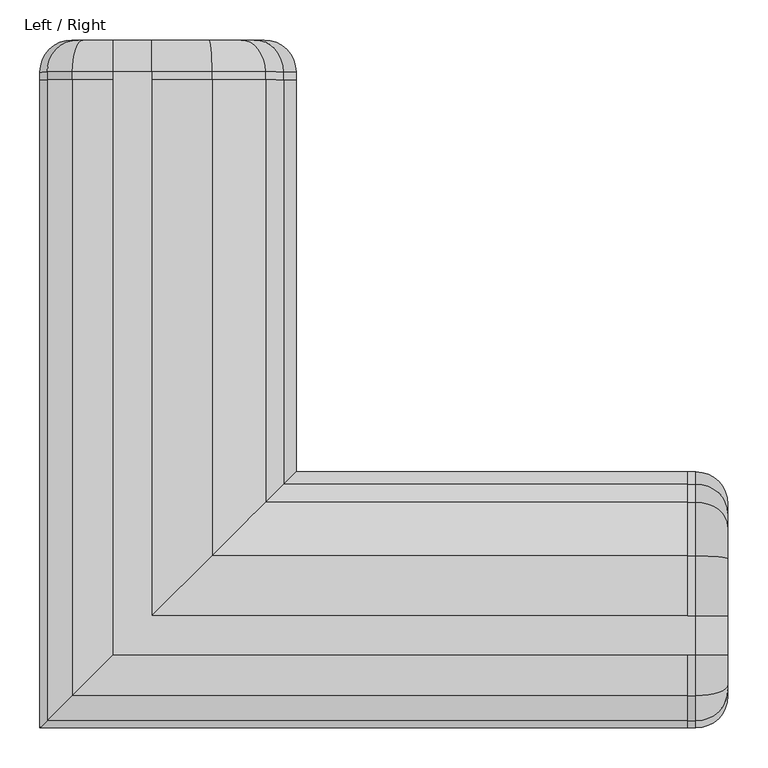
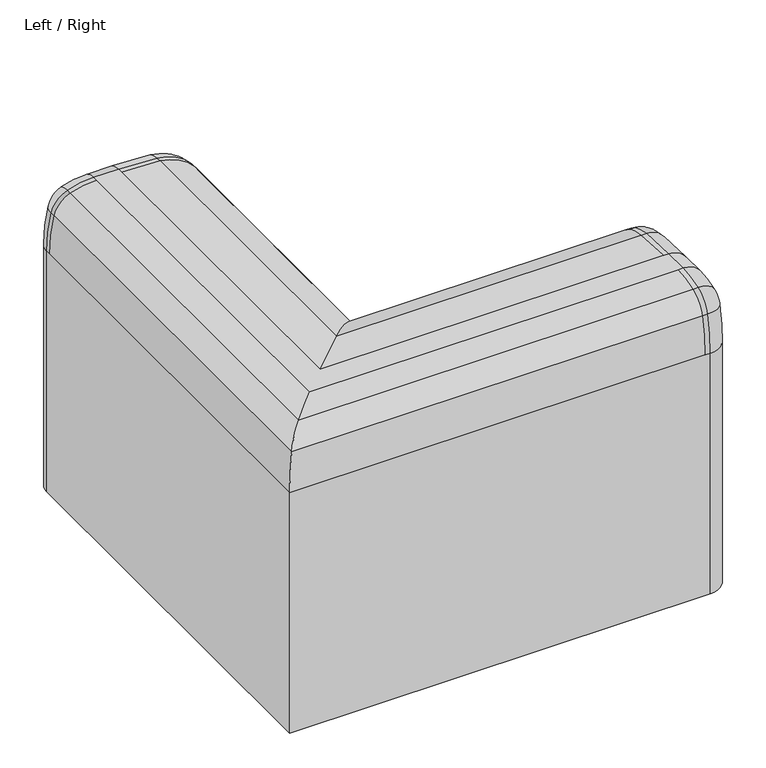
"""IFC4 building model written with IfcOpenShell, lengths in millimetres: furniture geometry, Left / Right."""

from ifc_helpers import new_model, si_unit, point, frame, origin, place, context, project, spatial, polyline, circle_curve, ellipse_curve, trimmed, source, transform, mapped, element, save
from ifc_brep_helpers import plane_surface, cylinder_surface, revolved_surface, advanced_brep


def left_right_8cfbb37d(model_context):
    return source(origin(), model_context, "Body", "AdvancedBrep", [
        advanced_brep(
        [(860.0, 200.0, 25.0), (860.0, 40.0, 25.0), (820.0, 0.0, 25.0), (0.0, 0.0, 25.0), (0.0, 820.0, 25.0), (40.0, 860.0, 25.0), (200.0, 860.0, 25.0), (240.0, 820.0, 25.0), (240.0, 240.0, 25.0), (820.0, 240.0, 25.0), (860.0, 200.0, 322.2258016), (860.0, 244.8690097, 400.0923137), (860.0, 247.5141046, 402.315325), (860.0, 268.1557528, 549.3060382), (860.0, 251.5115397, 575.7516627), (860.0, 211.4230155, 596.6382998), (860.0, 140.0193513, 600.0), (860.0, 91.7778918, 600.0), (860.0, 54.0888011, 593.3418233), (860.0, 47.7883578, 586.2689292), (860.0, 40.0, 520.0971421), (820.0, 240.0, 322.2258016), (240.0, 240.0, 322.2258016), (810.0, 240.0, 322.2258016), (820.0, 264.9272276, 365.484975), (810.0, 264.9272276, 365.484975), (820.0, 278.1527024, 376.6000313), (810.0, 278.1527024, 376.6000313), (820.0, 304.6919644, 565.5880912), (810.0, 304.6919644, 565.5880912), (820.0, 281.99531, 601.6503064), (810.0, 281.99531, 601.6503064), (820.0, 215.1811031, 636.4613682), (810.0, 215.1811031, 636.4613682), (820.0, 140.0193513, 640.0), (810.0, 140.0193513, 640.0), (820.0, 91.7778918, 640.0), (140.0193513, 140.0193513, 640.0), (140.0193513, 810.0, 640.0), (140.0193513, 820.0, 640.0), (91.7778918, 820.0, 640.0), (91.7778918, 810.0, 640.0), (91.7778918, 91.7778918, 640.0), (810.0, 91.7778918, 640.0), (820.0, 40.3836772, 630.9206681), (810.0, 40.3836772, 630.9206681), (820.0, 8.8814606, 595.5561976), (810.0, 8.8814606, 595.5561976), (820.0, 0.0, 520.0971421), (810.0, 0.0, 520.0971421), (0.0, 0.0, 520.0971421), (8.8814606, 8.8814606, 595.5561976), (40.3836772, 40.3836772, 630.9206681), (215.1811031, 215.1811031, 636.4613682), (281.99531, 281.99531, 601.6503064), (304.6919644, 304.6919644, 565.5880912), (278.1527024, 278.1527024, 376.6000313), (264.9272276, 264.9272276, 365.484975), (0.0, 810.0, 520.0971421), (0.0, 820.0, 520.0971421), (8.8814606, 810.0, 595.5561976), (40.3836772, 810.0, 630.9206681), (215.1811031, 810.0, 636.4613682), (281.99531, 810.0, 601.6503064), (304.6919644, 810.0, 565.5880912), (278.1527024, 810.0, 376.6000313), (264.9272276, 810.0, 365.484975), (240.0, 810.0, 322.2258016), (240.0, 820.0, 322.2258016), (200.0, 860.0, 322.2258016), (40.0, 860.0, 520.0971421), (47.7883578, 860.0, 586.2689292), (54.0888011, 860.0, 593.3418233), (91.7778918, 860.0, 600.0), (140.0193513, 860.0, 600.0), (211.4230155, 860.0, 596.6382998), (251.5115397, 860.0, 575.7516627), (268.1557528, 860.0, 549.3060382), (247.5141046, 860.0, 402.315325), (244.8690097, 860.0, 400.0923137), (264.9272276, 820.0, 365.484975), (278.1527024, 820.0, 376.6000313), (304.6919644, 820.0, 565.5880912), (281.99531, 820.0, 601.6503064), (215.1811031, 820.0, 636.4613682), (40.3836772, 820.0, 630.9206681), (8.8814606, 820.0, 595.5561976)],
        [
            (0, 1),
            (1, 2, circle_curve(frame((820.0, 40.0, 25.0), z_axis=(0.0, 0.0, -1.0), x_axis=(1.0, 0.0, 0.0)), 40.0)),
            (2, 3),
            (3, 4),
            (4, 5, circle_curve(frame((40.0, 820.0, 25.0), z_axis=(0.0, 0.0, -1.0), x_axis=(0.0, 1.0, 0.0)), 40.0)),
            (5, 6),
            (6, 7, circle_curve(frame((200.0, 820.0, 25.0), z_axis=(0.0, 0.0, -1.0), x_axis=(0.0, 1.0, 0.0)), 40.0)),
            (7, 8),
            (8, 9),
            (9, 0, circle_curve(frame((820.0, 200.0, 25.0), z_axis=(0.0, 0.0, -1.0), x_axis=(1.0, 0.0, 0.0)), 40.0)),
            (0, 10),
            (10, 11, circle_curve(frame((860.0, 290.0, 322.2258016), z_axis=(-1.0, 0.0, 0.0), x_axis=(0.0, -1.0, 0.0)), 90.0)),
            (11, 12, circle_curve(frame((860.0, 239.8544552, 408.7441484), z_axis=(1.0, 0.0, 0.0), x_axis=(0.0, 0.5014554478643385, -0.86518346829281)), 10.0)),
            (12, 13, circle_curve(frame((860.0, 140.2790126, 492.3188529), z_axis=(1.0, 0.0, 0.0), x_axis=(0.0, 0.7659649434069681, -0.6428823418570152)), 140.0)),
            (13, 14, circle_curve(frame((860.0, 167.6811712, 504.5303926), z_axis=(1.0, 0.0, 0.0), x_axis=(0.0, 0.9134052877051051, 0.4070513240272708)), 110.0)),
            (14, 15, circle_curve(frame((860.0, 205.7858841, 536.9036972), z_axis=(1.0, 0.0, 0.0), x_axis=(0.0, 0.7620942588295695, 0.6474660922851552)), 60.0)),
            (15, 16, circle_curve(frame((860.0, 140.0193513, -160.0), z_axis=(1.0, 0.0, 0.0), x_axis=(0.0, 0.09395218974832444, 0.9955767102747507)), 760.0)),
            (16, 17),
            (17, 18, circle_curve(frame((860.0, 91.7778918, 490.0), z_axis=(1.0, 0.0, 0.0), x_axis=(0.0, 0.0, 1.0)), 110.0)),
            (18, 19, circle_curve(frame((860.0, 57.5150821, 583.9471121), z_axis=(1.0, 0.0, 0.0), x_axis=(0.0, -0.3426280969648097, 0.9394711209879061)), 10.0)),
            (19, 20, circle_curve(frame((860.0, 325.0, 520.0971421), z_axis=(1.0, 0.0, 0.0), x_axis=(0.0, -0.9726724288891785, 0.23218170918232572)), 285.0)),
            (20, 1),
            (9, 21),
            (21, 10, circle_curve(frame((820.0, 200.0, 322.2258016), z_axis=(0.0, 0.0, -1.0), x_axis=(1.0, 0.0, 0.0)), 40.0)),
            (8, 22),
            (22, 23),
            (23, 21),
            (21, 24, circle_curve(frame((820.0, 290.0, 322.2258016), z_axis=(-1.0, 0.0, 0.0), x_axis=(0.0, -1.0, 0.0)), 50.0)),
            (24, 11, circle_curve(frame((820.0, 244.8690097, 400.0923137), z_axis=(0.0, -0.8651834682928039, -0.501455447864349), x_axis=(1.0, 0.0, 0.0)), 40.0)),
            (23, 25, circle_curve(frame((810.0, 290.0, 322.2258016), z_axis=(-1.0, 0.0, 0.0), x_axis=(0.0, -1.0, 0.0)), 50.0)),
            (25, 24),
            (24, 26, circle_curve(frame((820.0, 239.8544552, 408.7441484), z_axis=(1.0, 0.0, 0.0), x_axis=(0.0, 0.5014554478643385, -0.86518346829281)), 50.0)),
            (26, 12, circle_curve(frame((820.0, 247.5141046, 402.315325), z_axis=(0.0, -0.6428823418570154, -0.7659649434069679), x_axis=(1.0, 0.0, 0.0)), 40.0)),
            (25, 27, circle_curve(frame((810.0, 239.8544552, 408.7441484), z_axis=(1.0, 0.0, 0.0), x_axis=(0.0, 0.5014554478643385, -0.86518346829281)), 50.0)),
            (27, 26),
            (26, 28, circle_curve(frame((820.0, 140.2790126, 492.3188529), z_axis=(1.0, 0.0, 0.0), x_axis=(0.0, 0.7659649434069681, -0.6428823418570152)), 180.0)),
            (28, 13, circle_curve(frame((820.0, 268.1557528, 549.3060382), z_axis=(0.0, 0.4070513240272726, -0.9134052877051042), x_axis=(1.0, 0.0, 0.0)), 40.0)),
            (27, 29, circle_curve(frame((810.0, 140.2790126, 492.3188529), z_axis=(1.0, 0.0, 0.0), x_axis=(0.0, 0.7659649434069681, -0.6428823418570152)), 180.0)),
            (29, 28),
            (28, 30, circle_curve(frame((820.0, 167.6811712, 504.5303926), z_axis=(1.0, 0.0, 0.0), x_axis=(0.0, 0.9134052877051051, 0.4070513240272708)), 150.0)),
            (30, 14, circle_curve(frame((820.0, 251.5115397, 575.7516627), z_axis=(0.0, 0.6474660922851554, -0.7620942588295695), x_axis=(1.0, 0.0, 0.0)), 40.0)),
            (29, 31, circle_curve(frame((810.0, 167.6811712, 504.5303926), z_axis=(1.0, 0.0, 0.0), x_axis=(0.0, 0.9134052877051051, 0.4070513240272708)), 150.0)),
            (31, 30),
            (30, 32, circle_curve(frame((820.0, 205.7858841, 536.9036972), z_axis=(1.0, 0.0, 0.0), x_axis=(0.0, 0.7620942588295695, 0.6474660922851552)), 100.0)),
            (32, 15, circle_curve(frame((820.0, 211.4230155, 596.6382998), z_axis=(0.0, 0.9955767102747507, -0.09395218974832364), x_axis=(1.0, 0.0, 0.0)), 40.0)),
            (31, 33, circle_curve(frame((810.0, 205.7858841, 536.9036972), z_axis=(1.0, 0.0, 0.0), x_axis=(0.0, 0.7620942588295695, 0.6474660922851552)), 100.0)),
            (33, 32),
            (32, 34, circle_curve(frame((820.0, 140.0193513, -160.0), z_axis=(1.0, 0.0, 0.0), x_axis=(0.0, 0.09395218974832444, 0.9955767102747507)), 800.0)),
            (34, 16, circle_curve(frame((820.0, 140.0193513, 600.0), z_axis=(0.0, 1.0, 0.0), x_axis=(1.0, 0.0, 0.0)), 40.0)),
            (33, 35, circle_curve(frame((810.0, 140.0193513, -160.0), z_axis=(1.0, 0.0, 0.0), x_axis=(0.0, 0.09395218974832444, 0.9955767102747507)), 800.0)),
            (35, 34),
            (34, 36),
            (36, 17, circle_curve(frame((820.0, 91.7778918, 600.0), z_axis=(0.0, 1.0, 0.0), x_axis=(1.0, 0.0, 0.0)), 40.0)),
            (35, 37),
            (37, 38),
            (38, 39),
            (39, 40),
            (40, 41),
            (41, 42),
            (42, 43),
            (43, 36),
            (36, 44, circle_curve(frame((820.0, 91.7778918, 490.0), z_axis=(1.0, 0.0, 0.0), x_axis=(0.0, 0.0, 1.0)), 150.0)),
            (44, 18, circle_curve(frame((820.0, 54.0888011, 593.3418233), z_axis=(0.0, 0.9394711209879061, 0.3426280969648098), x_axis=(1.0, 0.0, 0.0)), 40.0)),
            (43, 45, circle_curve(frame((810.0, 91.7778918, 490.0), z_axis=(1.0, 0.0, 0.0), x_axis=(0.0, 0.0, 1.0)), 150.0)),
            (45, 44),
            (44, 46, circle_curve(frame((820.0, 57.5150821, 583.9471121), z_axis=(1.0, 0.0, 0.0), x_axis=(0.0, -0.3426280969648097, 0.9394711209879061)), 50.0)),
            (46, 19, circle_curve(frame((820.0, 47.7883578, 586.2689292), z_axis=(0.0, 0.23218170918232328, 0.972672428889179), x_axis=(1.0, 0.0, 0.0)), 40.0)),
            (45, 47, circle_curve(frame((810.0, 57.5150821, 583.9471121), z_axis=(1.0, 0.0, 0.0), x_axis=(0.0, -0.3426280969648097, 0.9394711209879061)), 50.0)),
            (47, 46),
            (46, 48, circle_curve(frame((820.0, 325.0, 520.0971421), z_axis=(1.0, 0.0, 0.0), x_axis=(0.0, -0.9726724288891785, 0.23218170918232572)), 325.0)),
            (48, 20, circle_curve(frame((820.0, 40.0, 520.0971421), z_axis=(0.0, 0.0, 1.0000000000000002), x_axis=(1.0, 0.0, 0.0)), 40.0)),
            (47, 49, circle_curve(frame((810.0, 325.0, 520.0971421), z_axis=(1.0, 0.0, 0.0), x_axis=(0.0, -0.9726724288891785, 0.23218170918232572)), 325.0)),
            (49, 48),
            (48, 2),
            (49, 50),
            (50, 3),
            (47, 51),
            (51, 50, ellipse_curve(frame((325.0, 325.0, 520.0971421), z_axis=(0.7071067811865475, -0.7071067811865475, 0.0), x_axis=(0.7071067811865476, 0.7071067811865474, 0.0)), 459.6194078, 325.0)),
            (45, 52),
            (52, 51, ellipse_curve(frame((57.5150821, 57.5150821, 583.9471121), z_axis=(0.7071067811865475, -0.7071067811865475, 0.0), x_axis=(0.7071067811865476, 0.7071067811865474, 0.0)), 70.7106781, 50.0)),
            (42, 52, ellipse_curve(frame((91.7778918, 91.7778918, 490.0), z_axis=(0.7071067811865475, -0.7071067811865475, 0.0), x_axis=(0.7071067811865476, 0.7071067811865474, 0.0)), 212.1320344, 150.0)),
            (33, 53),
            (53, 37, ellipse_curve(frame((140.0193513, 140.0193513, -160.0), z_axis=(0.7071067811865475, -0.7071067811865475, 0.0), x_axis=(0.7071067811865476, 0.7071067811865474, 0.0)), 1131.3708499, 800.0)),
            (31, 54),
            (54, 53, ellipse_curve(frame((205.7858841, 205.7858841, 536.9036972), z_axis=(0.7071067811865475, -0.7071067811865475, 0.0), x_axis=(0.7071067811865476, 0.7071067811865474, 0.0)), 141.4213562, 100.0)),
            (29, 55),
            (55, 54, ellipse_curve(frame((167.6811712, 167.6811712, 504.5303926), z_axis=(0.7071067811865475, -0.7071067811865475, 0.0), x_axis=(0.7071067811865476, 0.7071067811865474, 0.0)), 212.1320344, 150.0)),
            (27, 56),
            (56, 55, ellipse_curve(frame((140.2790126, 140.2790126, 492.3188529), z_axis=(0.7071067811865475, -0.7071067811865475, 0.0), x_axis=(0.7071067811865476, 0.7071067811865474, 0.0)), 254.5584412, 180.0)),
            (25, 57),
            (57, 56, ellipse_curve(frame((239.8544552, 239.8544552, 408.7441484), z_axis=(0.7071067811865475, -0.7071067811865475, 0.0), x_axis=(0.7071067811865476, 0.7071067811865474, 0.0)), 70.7106781, 50.0)),
            (22, 57, ellipse_curve(frame((290.0, 290.0, 322.2258016), z_axis=(-0.7071067811865475, 0.7071067811865475, 0.0), x_axis=(-0.7071067811865476, -0.7071067811865474, 0.0)), 70.7106781, 50.0)),
            (50, 58),
            (58, 59),
            (59, 4),
            (51, 60),
            (60, 58, circle_curve(frame((325.0, 810.0, 520.0971421), z_axis=(0.0, -1.0, 0.0), x_axis=(1.0, 0.0, 0.0)), 325.0)),
            (52, 61),
            (61, 60, circle_curve(frame((57.5150821, 810.0, 583.9471121), z_axis=(0.0, -1.0, 0.0), x_axis=(1.0, 0.0, 0.0)), 50.0)),
            (41, 61, circle_curve(frame((91.7778918, 810.0, 490.0), z_axis=(0.0, -1.0, 0.0), x_axis=(1.0, 0.0, 0.0)), 150.0)),
            (53, 62),
            (62, 38, circle_curve(frame((140.0193513, 810.0, -160.0), z_axis=(0.0, -1.0, 0.0), x_axis=(1.0, 0.0, 0.0)), 800.0)),
            (54, 63),
            (63, 62, circle_curve(frame((205.7858841, 810.0, 536.9036972), z_axis=(0.0, -1.0, 0.0), x_axis=(1.0, 0.0, 0.0)), 100.0)),
            (55, 64),
            (64, 63, circle_curve(frame((167.6811712, 810.0, 504.5303926), z_axis=(0.0, -1.0, 0.0), x_axis=(1.0, 0.0, 0.0)), 150.0)),
            (56, 65),
            (65, 64, circle_curve(frame((140.2790126, 810.0, 492.3188529), z_axis=(0.0, -1.0, 0.0), x_axis=(1.0, 0.0, 0.0)), 180.0)),
            (57, 66),
            (66, 65, circle_curve(frame((239.8544552, 810.0, 408.7441484), z_axis=(0.0, -1.0, 0.0), x_axis=(1.0, 0.0, 0.0)), 50.0)),
            (22, 67),
            (67, 66, circle_curve(frame((290.0, 810.0, 322.2258016), z_axis=(0.0, 1.0, 0.0), x_axis=(1.0, 0.0, 0.0)), 50.0)),
            (7, 68),
            (68, 67),
            (6, 69),
            (69, 68, circle_curve(frame((200.0, 820.0, 322.2258016), z_axis=(0.0, 0.0, -1.0), x_axis=(0.0, 1.0, 0.0)), 40.0)),
            (5, 70),
            (70, 71, circle_curve(frame((325.0, 860.0, 520.0971421), z_axis=(0.0, 1.0, 0.0), x_axis=(-0.9726724288891769, 0.0, 0.23218170918233214)), 285.0)),
            (71, 72, circle_curve(frame((57.5150821, 860.0, 583.9471121), z_axis=(0.0, 1.0, 0.0), x_axis=(-0.3426280969648036, 0.0, 0.9394711209879083)), 10.0)),
            (72, 73, circle_curve(frame((91.7778918, 860.0, 490.0), z_axis=(0.0, 1.0, 0.0), x_axis=(0.0, 0.0, 1.0)), 110.0)),
            (73, 74),
            (74, 75, circle_curve(frame((140.0193513, 860.0, -160.0), z_axis=(0.0, 1.0, 0.0), x_axis=(0.09395218974833115, 0.0, 0.99557671027475)), 760.0)),
            (75, 76, circle_curve(frame((205.7858841, 860.0, 536.9036972), z_axis=(0.0, 1.0, 0.0), x_axis=(0.7620942588295735, 0.0, 0.6474660922851505)), 60.0)),
            (76, 77, circle_curve(frame((167.6811712, 860.0, 504.5303926), z_axis=(0.0, 1.0, 0.0), x_axis=(0.9134052877051047, 0.0, 0.40705132402727173)), 110.0)),
            (77, 78, circle_curve(frame((140.2790126, 860.0, 492.3188529), z_axis=(0.0, 1.0, 0.0), x_axis=(0.7659649434069643, 0.0, -0.6428823418570198)), 140.0)),
            (78, 79, circle_curve(frame((239.8544552, 860.0, 408.7441484), z_axis=(0.0, 1.0, 0.0), x_axis=(0.5014554478643383, 0.0, -0.8651834682928101)), 10.0)),
            (79, 69, circle_curve(frame((290.0, 860.0, 322.2258016), z_axis=(0.0, -1.0, 0.0), x_axis=(-1.0, 0.0, 0.0)), 90.0)),
            (68, 80, circle_curve(frame((290.0, 820.0, 322.2258016), z_axis=(0.0, 1.0, 0.0), x_axis=(-1.0, 0.0, 0.0)), 50.0)),
            (80, 66),
            (79, 80, circle_curve(frame((244.8690097, 820.0, 400.0923137), z_axis=(-0.8651834682928063, 0.0, -0.5014554478643447), x_axis=(0.0, 1.0, 0.0)), 40.0)),
            (80, 81, circle_curve(frame((239.8544552, 820.0, 408.7441484), z_axis=(0.0, -1.0, 0.0), x_axis=(0.5014554478643383, 0.0, -0.8651834682928101)), 50.0)),
            (81, 65),
            (78, 81, circle_curve(frame((247.5141046, 820.0, 402.315325), z_axis=(-0.6428823418570826, 0.0, -0.7659649434069116), x_axis=(0.0, 1.0, 0.0)), 40.0)),
            (81, 82, circle_curve(frame((140.2790126, 820.0, 492.3188529), z_axis=(0.0, -1.0, 0.0), x_axis=(0.7659649434069643, 0.0, -0.6428823418570198)), 180.0)),
            (82, 64),
            (77, 82, circle_curve(frame((268.1557528, 820.0, 549.3060382), z_axis=(0.4070513240272732, 0.0, -0.913405287705104), x_axis=(0.0, 1.0, 0.0)), 40.0)),
            (82, 83, circle_curve(frame((167.6811712, 820.0, 504.5303926), z_axis=(0.0, -1.0, 0.0), x_axis=(0.9134052877051047, 0.0, 0.40705132402727173)), 150.0)),
            (83, 63),
            (76, 83, circle_curve(frame((251.5115397, 820.0, 575.7516627), z_axis=(0.6474660922851535, 0.0, -0.762094258829571), x_axis=(0.0, 1.0, 0.0)), 40.0)),
            (83, 84, circle_curve(frame((205.7858841, 820.0, 536.9036972), z_axis=(0.0, -1.0, 0.0), x_axis=(0.7620942588295735, 0.0, 0.6474660922851505)), 100.0)),
            (84, 62),
            (75, 84, circle_curve(frame((211.4230155, 820.0, 596.6382998), z_axis=(0.9955767102747428, 0.0, -0.09395218974840758), x_axis=(0.0, 1.0, 0.0)), 40.0)),
            (84, 39, circle_curve(frame((140.0193513, 820.0, -160.0), z_axis=(0.0, -1.0, 0.0), x_axis=(0.09395218974833115, 0.0, 0.99557671027475)), 800.0)),
            (74, 39, circle_curve(frame((140.0193513, 820.0, 600.0), z_axis=(1.0, 0.0, 0.0), x_axis=(0.0, 1.0, 0.0)), 40.0)),
            (73, 40, circle_curve(frame((91.7778918, 820.0, 600.0), z_axis=(1.0, 0.0, 0.0), x_axis=(0.0, 1.0, 0.0)), 40.0)),
            (40, 85, circle_curve(frame((91.7778918, 820.0, 490.0), z_axis=(0.0, -1.0, 0.0), x_axis=(0.0, 0.0, 1.0)), 150.0)),
            (85, 61),
            (72, 85, circle_curve(frame((54.0888011, 820.0, 593.3418233), z_axis=(0.9394711209879063, 0.0, 0.34262809696480934), x_axis=(0.0, 1.0, 0.0)), 40.0)),
            (85, 86, circle_curve(frame((57.5150821, 820.0, 583.9471121), z_axis=(0.0, -1.0, 0.0), x_axis=(-0.3426280969648036, 0.0, 0.9394711209879083)), 50.0)),
            (86, 60),
            (71, 86, circle_curve(frame((47.7883578, 820.0, 586.2689292), z_axis=(0.23218170918250775, 0.0, 0.972672428889135), x_axis=(0.0, 1.0, 0.0)), 40.0)),
            (86, 59, circle_curve(frame((325.0, 820.0, 520.0971421), z_axis=(0.0, -1.0, 0.0), x_axis=(-0.9726724288891769, 0.0, 0.23218170918233214)), 325.0)),
            (70, 59, circle_curve(frame((40.0, 820.0, 520.0971421), z_axis=(0.0, 0.0, 1.0), x_axis=(0.0, 1.0, 0.0)), 40.0)),
        ],
        [
            plane_surface(frame((0.0, 240.0, 25.0), z_axis=(0.0, 0.0, -1.0), x_axis=(1.0, 0.0, 0.0))),
            plane_surface(frame((860.0, 195.0, 25.0), z_axis=(1.0, 0.0, 0.0), x_axis=(0.0, 0.0, 1.0))),
            cylinder_surface(frame((820.0, 200.0, 25.0), z_axis=(0.0, 0.0, -1.0), x_axis=(1.0, 0.0, 0.0)), 40.0),
            plane_surface(frame((820.0, 240.0, 25.0), z_axis=(0.0, 1.0, 0.0), x_axis=(0.0, 0.0, 1.0))),
            revolved_surface(trimmed(ellipse_curve(frame((820.0, 200.0, 322.2258016), z_axis=(0.0, 0.0, 1.0), x_axis=(1.0, 0.0, 0.0)), 40.0, 40.0), [point((860.0, 200.0, 322.2258016))], [point((820.0, 240.0, 322.2258016))], True, "CARTESIAN"), (0.0, 290.0, 322.2258016), (1.0, 0.0, 0.0)),
            revolved_surface(polyline([(820.0, 240.0, 322.2258016), (810.0, 240.0, 322.2258016)]), (0.0, 290.0, 322.2258016), (1.0, 0.0, 0.0)),
            revolved_surface(trimmed(ellipse_curve(frame((820.0, 244.8690097, 400.0923137), z_axis=(0.0, 0.8651834682928099, 0.5014554478643386), x_axis=(1.0, 0.0, 0.0)), 40.0, 40.0), [point((860.0, 244.8690097, 400.0923137))], [point((820.0, 264.9272276, 365.484975))], True, "CARTESIAN"), (0.0, 239.8544552, 408.7441484), (-1.0, 0.0, 0.0)),
            cylinder_surface(frame((0.0, 239.8544552, 408.7441484), z_axis=(-1.0, 0.0, 0.0), x_axis=(0.0, 0.5014554478643385, -0.86518346829281)), 50.0),
            revolved_surface(trimmed(ellipse_curve(frame((820.0, 247.5141046, 402.315325), z_axis=(0.0, 0.6428823418570151, 0.7659649434069682), x_axis=(1.0, 0.0, 0.0)), 40.0, 40.0), [point((860.0, 247.5141046, 402.315325))], [point((820.0, 278.1527024, 376.6000313))], True, "CARTESIAN"), (0.0, 140.2790126, 492.3188529), (-1.0, 0.0, 0.0)),
            cylinder_surface(frame((0.0, 140.2790126, 492.3188529), z_axis=(-1.0, 0.0, 0.0), x_axis=(0.0, 0.7659649434069681, -0.6428823418570152)), 180.0),
            revolved_surface(trimmed(ellipse_curve(frame((820.0, 268.1557528, 549.3060382), z_axis=(0.0, -0.4070513240272708, 0.9134052877051051), x_axis=(1.0, 0.0, 0.0)), 40.0, 40.0), [point((860.0, 268.1557528, 549.3060382))], [point((820.0, 304.6919644, 565.5880912))], True, "CARTESIAN"), (0.0, 167.6811712, 504.5303926), (-1.0, 0.0, 0.0)),
            cylinder_surface(frame((0.0, 167.6811712, 504.5303926), z_axis=(-1.0, 0.0, 0.0), x_axis=(0.0, 0.9134052877051051, 0.4070513240272708)), 150.0),
            revolved_surface(trimmed(ellipse_curve(frame((820.0, 251.5115397, 575.7516627), z_axis=(0.0, -0.6474660922851553, 0.7620942588295694), x_axis=(1.0, 0.0, 0.0)), 40.0, 40.0), [point((860.0, 251.5115397, 575.7516627))], [point((820.0, 281.99531, 601.6503064))], True, "CARTESIAN"), (0.0, 205.7858841, 536.9036972), (-1.0, 0.0, 0.0)),
            cylinder_surface(frame((0.0, 205.7858841, 536.9036972), z_axis=(-1.0, 0.0, 0.0), x_axis=(0.0, 0.7620942588295695, 0.6474660922851552)), 100.0),
            revolved_surface(trimmed(ellipse_curve(frame((820.0, 211.4230155, 596.6382998), z_axis=(0.0, -0.9955767102747507, 0.0939521897483242), x_axis=(1.0, 0.0, 0.0)), 40.0, 40.0), [point((860.0, 211.4230155, 596.6382998))], [point((820.0, 215.1811031, 636.4613682))], True, "CARTESIAN"), (0.0, 140.0193513, -160.0), (-1.0, 0.0, 0.0)),
            cylinder_surface(frame((0.0, 140.0193513, -160.0), z_axis=(-1.0, 0.0, 0.0), x_axis=(0.0, 0.09395218974832444, 0.9955767102747507)), 800.0),
            cylinder_surface(frame((820.0, 140.0193513, 600.0), z_axis=(0.0, 1.0, 0.0), x_axis=(1.0, 0.0, 0.0)), 40.0),
            plane_surface(frame((820.0, 140.0193513, 640.0), z_axis=(0.0, 0.0, 1.0), x_axis=(0.0, -1.0, 0.0))),
            revolved_surface(trimmed(ellipse_curve(frame((820.0, 91.7778918, 600.0), z_axis=(0.0, -1.0, 0.0), x_axis=(1.0, 0.0, 0.0)), 40.0, 40.0), [point((860.0, 91.7778918, 600.0))], [point((820.0, 91.7778918, 640.0))], True, "CARTESIAN"), (0.0, 91.7778918, 490.0), (-1.0, 0.0, 0.0)),
            cylinder_surface(frame((0.0, 91.7778918, 490.0), z_axis=(-1.0, 0.0, 0.0), x_axis=(0.0, 0.0, 1.0)), 150.0),
            revolved_surface(trimmed(ellipse_curve(frame((820.0, 54.0888011, 593.3418233), z_axis=(0.0, -0.939471120987906, -0.34262809696481017), x_axis=(1.0, 0.0, 0.0)), 40.0, 40.0), [point((860.0, 54.0888011, 593.3418233))], [point((820.0, 40.3836772, 630.9206681))], True, "CARTESIAN"), (0.0, 57.5150821, 583.9471121), (-1.0, 0.0, 0.0)),
            cylinder_surface(frame((0.0, 57.5150821, 583.9471121), z_axis=(-1.0, 0.0, 0.0), x_axis=(0.0, -0.3426280969648097, 0.9394711209879061)), 50.0),
            revolved_surface(trimmed(ellipse_curve(frame((820.0, 47.7883578, 586.2689292), z_axis=(0.0, -0.23218170918232559, -0.9726724288891785), x_axis=(1.0, 0.0, 0.0)), 40.0, 40.0), [point((860.0, 47.7883578, 586.2689292))], [point((820.0, 8.8814606, 595.5561976))], True, "CARTESIAN"), (0.0, 325.0, 520.0971421), (-1.0, 0.0, 0.0)),
            cylinder_surface(frame((0.0, 325.0, 520.0971421), z_axis=(-1.0, 0.0, 0.0), x_axis=(0.0, -0.9726724288891785, 0.23218170918232572)), 325.0),
            cylinder_surface(frame((820.0, 40.0, 520.0971421), z_axis=(0.0, 0.0, 1.0), x_axis=(1.0, 0.0, 0.0)), 40.0),
            plane_surface(frame((820.0, 0.0, 520.0971421), z_axis=(0.0, -1.0, 0.0), x_axis=(0.0, 0.0, -1.0))),
            cylinder_surface(frame((810.0, 325.0, 520.0971421), z_axis=(1.0, 0.0, 0.0), x_axis=(0.0, 1.0, 0.0)), 325.0),
            cylinder_surface(frame((810.0, 57.5150821, 583.9471121), z_axis=(1.0, 0.0, 0.0), x_axis=(0.0, 1.0, 0.0)), 50.0),
            cylinder_surface(frame((810.0, 91.7778918, 490.0), z_axis=(1.0, 0.0, 0.0), x_axis=(0.0, 1.0, 0.0)), 150.0),
            cylinder_surface(frame((810.0, 140.0193513, -160.0), z_axis=(1.0, 0.0, 0.0), x_axis=(0.0, 1.0, 0.0)), 800.0),
            cylinder_surface(frame((810.0, 205.7858841, 536.9036972), z_axis=(1.0, 0.0, 0.0), x_axis=(0.0, 1.0, 0.0)), 100.0),
            cylinder_surface(frame((810.0, 167.6811712, 504.5303926), z_axis=(1.0, 0.0, 0.0), x_axis=(0.0, 1.0, 0.0)), 150.0),
            cylinder_surface(frame((810.0, 140.2790126, 492.3188529), z_axis=(1.0, 0.0, 0.0), x_axis=(0.0, 1.0, 0.0)), 180.0),
            cylinder_surface(frame((810.0, 239.8544552, 408.7441484), z_axis=(1.0, 0.0, 0.0), x_axis=(0.0, 1.0, 0.0)), 50.0),
            revolved_surface(polyline([(240.0, 340.0, 322.2258016), (810.0, 340.0, 322.2258016)]), (810.0, 290.0, 322.2258016), (-1.0, 0.0, 0.0)),
            plane_surface(frame((0.0, 0.0, 25.0), z_axis=(-1.0, 0.0, 0.0), x_axis=(0.0, 1.0, 0.0))),
            cylinder_surface(frame((325.0, 0.0, 520.0971421), z_axis=(0.0, -1.0, 0.0), x_axis=(1.0, 0.0, 0.0)), 325.0),
            cylinder_surface(frame((57.5150821, 0.0, 583.9471121), z_axis=(0.0, -1.0, 0.0), x_axis=(1.0, 0.0, 0.0)), 50.0),
            cylinder_surface(frame((91.7778918, 0.0, 490.0), z_axis=(0.0, -1.0, 0.0), x_axis=(1.0, 0.0, 0.0)), 150.0),
            cylinder_surface(frame((140.0193513, 0.0, -160.0), z_axis=(0.0, -1.0, 0.0), x_axis=(1.0, 0.0, 0.0)), 800.0),
            cylinder_surface(frame((205.7858841, 0.0, 536.9036972), z_axis=(0.0, -1.0, 0.0), x_axis=(1.0, 0.0, 0.0)), 100.0),
            cylinder_surface(frame((167.6811712, 0.0, 504.5303926), z_axis=(0.0, -1.0, 0.0), x_axis=(1.0, 0.0, 0.0)), 150.0),
            cylinder_surface(frame((140.2790126, 0.0, 492.3188529), z_axis=(0.0, -1.0, 0.0), x_axis=(1.0, 0.0, 0.0)), 180.0),
            cylinder_surface(frame((239.8544552, 0.0, 408.7441484), z_axis=(0.0, -1.0, 0.0), x_axis=(1.0, 0.0, 0.0)), 50.0),
            revolved_surface(polyline([(340.0, 810.0, 322.2258016), (340.0, 240.0, 322.2258016)]), (290.0, 0.0, 322.2258016), (0.0, 1.0, 0.0)),
            plane_surface(frame((240.0, 240.0, 322.2258016), z_axis=(1.0, 0.0, 0.0), x_axis=(0.0, 1.0, 0.0))),
            cylinder_surface(frame((200.0, 820.0, 25.0), z_axis=(0.0, 0.0, -1.0), x_axis=(0.0, 1.0, 0.0)), 40.0),
            plane_surface(frame((200.0, 860.0, 25.0), z_axis=(0.0, 1.0, 0.0), x_axis=(0.0, 0.0, 1.0))),
            revolved_surface(polyline([(240.0, 810.0, 322.2258016), (240.0, 820.0, 322.2258016)]), (290.0, 810.0, 322.2258016), (0.0, -1.0, 0.0)),
            revolved_surface(trimmed(ellipse_curve(frame((200.0, 820.0, 322.2258016), z_axis=(0.0, 0.0, 1.0), x_axis=(0.0, 1.0, 0.0)), 40.0, 40.0), [point((240.0, 820.0, 322.2258016))], [point((200.0, 860.0, 322.2258016))], True, "CARTESIAN"), (290.0, 810.0, 322.2258016), (0.0, -1.0, 0.0)),
            cylinder_surface(frame((239.8544552, 810.0, 408.7441484), z_axis=(0.0, 1.0, 0.0), x_axis=(0.5014554478643383, 0.0, -0.8651834682928101)), 50.0),
            revolved_surface(trimmed(ellipse_curve(frame((244.8690097, 820.0, 400.0923137), z_axis=(0.8651834682928099, 0.0, 0.5014554478643386), x_axis=(0.0, 1.0, 0.0)), 40.0, 40.0), [point((264.9272276, 820.0, 365.484975))], [point((244.8690097, 860.0, 400.0923137))], True, "CARTESIAN"), (239.8544552, 810.0, 408.7441484), (0.0, 1.0, 0.0)),
            cylinder_surface(frame((140.2790126, 810.0, 492.3188529), z_axis=(0.0, 1.0, 0.0), x_axis=(0.7659649434069643, 0.0, -0.6428823418570198)), 180.0),
            revolved_surface(trimmed(ellipse_curve(frame((247.5141046, 820.0, 402.315325), z_axis=(0.6428823418570195, 0.0, 0.7659649434069645), x_axis=(0.0, 1.0, 0.0)), 40.0, 40.0), [point((278.1527024, 820.0, 376.6000313))], [point((247.5141046, 860.0, 402.315325))], True, "CARTESIAN"), (140.2790126, 810.0, 492.3188529), (0.0, 1.0, 0.0)),
            cylinder_surface(frame((167.6811712, 810.0, 504.5303926), z_axis=(0.0, 1.0, 0.0), x_axis=(0.9134052877051047, 0.0, 0.40705132402727173)), 150.0),
            revolved_surface(trimmed(ellipse_curve(frame((268.1557528, 820.0, 549.3060382), z_axis=(-0.40705132402727207, 0.0, 0.9134052877051045), x_axis=(0.0, 1.0, 0.0)), 40.0, 40.0), [point((304.6919644, 820.0, 565.5880912))], [point((268.1557528, 860.0, 549.3060382))], True, "CARTESIAN"), (167.6811712, 810.0, 504.5303926), (0.0, 1.0, 0.0)),
            cylinder_surface(frame((205.7858841, 810.0, 536.9036972), z_axis=(0.0, 1.0, 0.0), x_axis=(0.7620942588295735, 0.0, 0.6474660922851505)), 100.0),
            revolved_surface(trimmed(ellipse_curve(frame((251.5115397, 820.0, 575.7516627), z_axis=(-0.6474660922851507, 0.0, 0.7620942588295733), x_axis=(0.0, 1.0, 0.0)), 40.0, 40.0), [point((281.99531, 820.0, 601.6503064))], [point((251.5115397, 860.0, 575.7516627))], True, "CARTESIAN"), (205.7858841, 810.0, 536.9036972), (0.0, 1.0, 0.0)),
            cylinder_surface(frame((140.0193513, 810.0, -160.0), z_axis=(0.0, 1.0, 0.0), x_axis=(0.09395218974833115, 0.0, 0.99557671027475)), 800.0),
            revolved_surface(trimmed(ellipse_curve(frame((211.4230155, 820.0, 596.6382998), z_axis=(-0.99557671027475, 0.0, 0.09395218974833085), x_axis=(0.0, 1.0, 0.0)), 40.0, 40.0), [point((215.1811031, 820.0, 636.4613682))], [point((211.4230155, 860.0, 596.6382998))], True, "CARTESIAN"), (140.0193513, 810.0, -160.0), (0.0, 1.0, 0.0)),
            cylinder_surface(frame((140.0193513, 820.0, 600.0), z_axis=(1.0, 0.0, 0.0), x_axis=(0.0, 1.0, 0.0)), 40.0),
            cylinder_surface(frame((91.7778918, 810.0, 490.0), z_axis=(0.0, 1.0, 0.0), x_axis=(0.0, 0.0, 1.0)), 150.0),
            revolved_surface(trimmed(ellipse_curve(frame((91.7778918, 820.0, 600.0), z_axis=(-1.0, 0.0, 0.0), x_axis=(0.0, 1.0, 0.0)), 40.0, 40.0), [point((91.7778918, 820.0, 640.0))], [point((91.7778918, 860.0, 600.0))], True, "CARTESIAN"), (91.7778918, 810.0, 490.0), (0.0, 1.0, 0.0)),
            cylinder_surface(frame((57.5150821, 810.0, 583.9471121), z_axis=(0.0, 1.0, 0.0), x_axis=(-0.3426280969648036, 0.0, 0.9394711209879083)), 50.0),
            revolved_surface(trimmed(ellipse_curve(frame((54.0888011, 820.0, 593.3418233), z_axis=(-0.9394711209879082, 0.0, -0.3426280969648039), x_axis=(0.0, 1.0, 0.0)), 40.0, 40.0), [point((40.3836772, 820.0, 630.9206681))], [point((54.0888011, 860.0, 593.3418233))], True, "CARTESIAN"), (57.5150821, 810.0, 583.9471121), (0.0, 1.0, 0.0)),
            cylinder_surface(frame((325.0, 810.0, 520.0971421), z_axis=(0.0, 1.0, 0.0), x_axis=(-0.9726724288891769, 0.0, 0.23218170918233214)), 325.0),
            revolved_surface(trimmed(ellipse_curve(frame((47.7883578, 820.0, 586.2689292), z_axis=(-0.23218170918233164, 0.0, -0.972672428889177), x_axis=(0.0, 1.0, 0.0)), 40.0, 40.0), [point((8.8814606, 820.0, 595.5561976))], [point((47.7883578, 860.0, 586.2689292))], True, "CARTESIAN"), (325.0, 810.0, 520.0971421), (0.0, 1.0, 0.0)),
            cylinder_surface(frame((40.0, 820.0, 520.0971421), z_axis=(0.0, 0.0, 1.0), x_axis=(0.0, 1.0, 0.0)), 40.0),
        ],
        [
            (0, [[1, 2, 3, 4, 5, 6, 7, 8, 9, 10]]),
            (1, [[-1, 11, 12, 13, 14, 15, 16, 17, 18, 19, 20, 21, 22]]),
            (2, [[23, 24, -11, -10]]),
            (3, [[-9, 25, 26, 27, -23]]),
            (4, [[-24, 28, 29, -12]]),
            (5, [[30, 31, -28, -27]]),
            (6, [[-29, 32, 33, -13]]),
            (7, [[34, 35, -32, -31]]),
            (8, [[-33, 36, 37, -14]]),
            (9, [[38, 39, -36, -35]]),
            (10, [[-37, 40, 41, -15]]),
            (11, [[42, 43, -40, -39]]),
            (12, [[-41, 44, 45, -16]]),
            (13, [[46, 47, -44, -43]]),
            (14, [[-45, 48, 49, -17]]),
            (15, [[50, 51, -48, -47]]),
            (16, [[-49, 52, 53, -18]]),
            (17, [[54, 55, 56, 57, 58, 59, 60, 61, -52, -51]]),
            (18, [[-53, 62, 63, -19]]),
            (19, [[64, 65, -62, -61]]),
            (20, [[-63, 66, 67, -20]]),
            (21, [[68, 69, -66, -65]]),
            (22, [[-67, 70, 71, -21]]),
            (23, [[72, 73, -70, -69]]),
            (24, [[-22, -71, 74, -2]]),
            (25, [[75, 76, -3, -74, -73]]),
            (26, [[-72, 77, 78, -75]]),
            (27, [[-68, 79, 80, -77]]),
            (28, [[-64, -60, 81, -79]]),
            (29, [[-50, 82, 83, -54]]),
            (30, [[-46, 84, 85, -82]]),
            (31, [[-42, 86, 87, -84]]),
            (32, [[-38, 88, 89, -86]]),
            (33, [[-34, 90, 91, -88]]),
            (34, [[-30, -26, 92, -90]]),
            (35, [[93, 94, 95, -4, -76]]),
            (36, [[96, 97, -93, -78]]),
            (37, [[98, 99, -96, -80]]),
            (38, [[-59, 100, -98, -81]]),
            (39, [[-83, 101, 102, -55]]),
            (40, [[103, 104, -101, -85]]),
            (41, [[105, 106, -103, -87]]),
            (42, [[107, 108, -105, -89]]),
            (43, [[109, 110, -107, -91]]),
            (44, [[111, 112, -109, -92]]),
            (45, [[-8, 113, 114, -111, -25]]),
            (46, [[115, 116, -113, -7]]),
            (47, [[117, 118, 119, 120, 121, 122, 123, 124, 125, 126, 127, -115, -6]]),
            (48, [[128, 129, -112, -114]]),
            (49, [[-127, 130, -128, -116]]),
            (50, [[131, 132, -110, -129]]),
            (51, [[133, -131, -130, -126]]),
            (52, [[134, 135, -108, -132]]),
            (53, [[136, -134, -133, -125]]),
            (54, [[137, 138, -106, -135]]),
            (55, [[139, -137, -136, -124]]),
            (56, [[140, 141, -104, -138]]),
            (57, [[142, -140, -139, -123]]),
            (58, [[143, -56, -102, -141]]),
            (59, [[144, -143, -142, -122]]),
            (60, [[145, -57, -144, -121]]),
            (61, [[146, 147, -100, -58]]),
            (62, [[148, -146, -145, -120]]),
            (63, [[149, 150, -99, -147]]),
            (64, [[151, -149, -148, -119]]),
            (65, [[152, -94, -97, -150]]),
            (66, [[153, -152, -151, -118]]),
            (67, [[-5, -95, -153, -117]]),
        ],
    ),
    ])


if __name__ == "__main__":
    model = new_model("IFC4")
    model_context = context("Model", 3, world=origin())
    ifc_project = project(units=[si_unit("LENGTHUNIT", "METRE", prefix="MILLI")], contexts=[model_context])
    site = spatial("IfcSite", under=ifc_project)
    building = spatial("IfcBuilding", under=site)
    placement = place(None, origin())
    left_right_shape = left_right_8cfbb37d(model_context)
    element("IfcFurniture", 1, ObjectType="Left / Right", at=placement, inside=building, context=model_context, shape_type="MappedRepresentation", body=[
        mapped(left_right_shape, transform((0.0, 0.0, 0.0), x_axis=(1.0, 0.0, 0.0), y_axis=(0.0, 1.0, 0.0), z_axis=(0.0, 0.0, 1.0))),
    ])
    save(model, "model.ifc")
